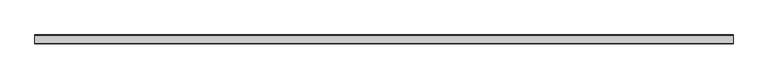
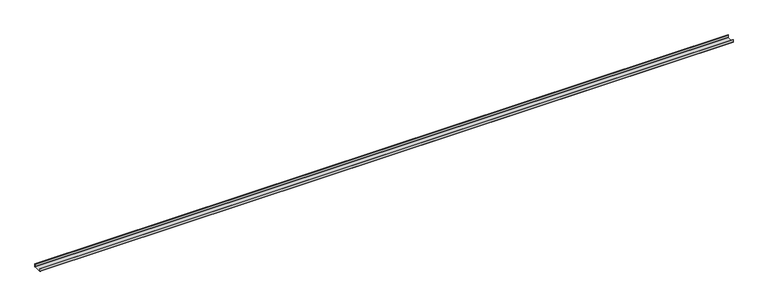
"""IFC4 building model written with IfcOpenShell, lengths in millimetres: proxy geometry."""

from ifc_helpers import new_model, si_unit, point, frame, frame_2d, origin, place, context, project, spatial, polyline, circle_curve, trimmed, segment, composite_curve, outline, extrude, source, transform, mapped, element, save


def generic_models_09acab80(model_context):
    return source(origin(), model_context, "Body", "SweptSolid", [
        extrude(outline(composite_curve([segment(trimmed(circle_curve(frame_2d((17.0, 2.0)), 1.0), [point((17.0, 1.0))], [point((18.0, 2.0))], True, "CARTESIAN"), True, "CONTINUOUS"), segment(polyline([(18.0, 2.0), (18.0, 12.0), (19.0, 12.0), (19.0, 1.0)]), True, "CONTINUOUS"), segment(trimmed(circle_curve(frame_2d((18.0, 1.0)), 1.0), [point((19.0, 1.0))], [point((18.0, 0.0))], False, "CARTESIAN"), True, "CONTINUOUS"), segment(polyline([(18.0, 0.0), (-18.0, 0.0)]), True, "CONTINUOUS"), segment(trimmed(circle_curve(frame_2d((-18.0, 1.0)), 1.0), [point((-18.0, 0.0))], [point((-19.0, 1.0))], False, "CARTESIAN"), True, "CONTINUOUS"), segment(polyline([(-19.0, 1.0), (-19.0, 12.0), (-18.0, 12.0), (-18.0, 2.0)]), True, "CONTINUOUS"), segment(trimmed(circle_curve(frame_2d((-17.0, 2.0)), 1.0), [point((-18.0, 2.0))], [point((-17.0, 1.0))], True, "CARTESIAN"), True, "CONTINUOUS"), segment(polyline([(-17.0, 1.0), (17.0, 1.0)]), True, "CONTINUOUS")], self_intersect=False)), frame((0.0, 0.0, 0.0), z_axis=(1.0, 0.0, 0.0), x_axis=(0.0, 1.0, 0.0)), (0.0, 0.0, 1.0), 3000.0),
    ])


if __name__ == "__main__":
    model = new_model("IFC4")
    model_context = context("Model", 3, world=origin())
    ifc_project = project(units=[si_unit("LENGTHUNIT", "METRE", prefix="MILLI")], contexts=[model_context])
    site = spatial("IfcSite", under=ifc_project)
    building = spatial("IfcBuilding", under=site)
    placement = place(None, origin())
    generic_models_shape = generic_models_09acab80(model_context)
    element("IfcBuildingElementProxy", 1, Name="Generic Models", at=placement, inside=building, context=model_context, shape_type="MappedRepresentation", body=[
        mapped(generic_models_shape, transform((0.0, 0.0, 0.0), x_axis=(1.0, 0.0, 0.0), y_axis=(0.0, 1.0, 0.0), z_axis=(0.0, 0.0, 1.0))),
    ])
    save(model, "model.ifc")
